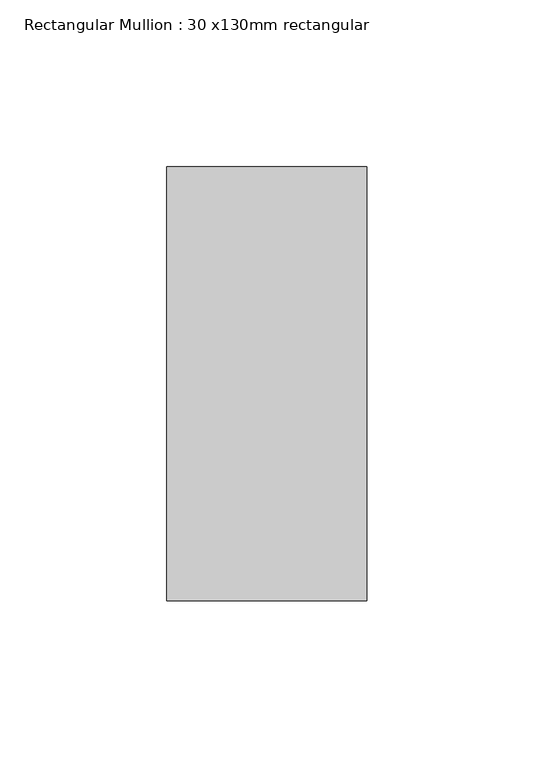
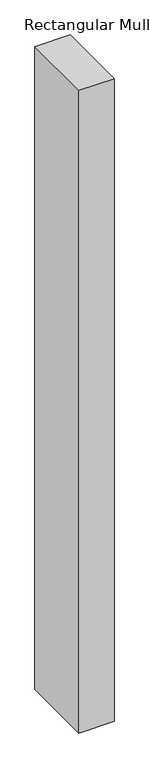
"""IFC4 building model written with IfcOpenShell, lengths in millimetres: member geometry, Rectangular Mullion : 30 x130mm rectangular."""

from ifc_helpers import new_model, si_unit, frame, origin, place, context, project, spatial, polyline, outline, extrude, source, transform, mapped, element, save


def rectangular_mullion_30_x130mm_rectangular_e298e42c(model_context):
    return source(origin(), model_context, "Body", "SweptSolid", [
        extrude(outline(polyline([(30.0, 65.0), (30.0, -65.0), (-30.0, -65.0), (-30.0, 65.0), (30.0, 65.0)])), frame((0.0, 0.0, -1160.0), z_axis=(0.0, 0.0, 1.0), x_axis=(1.0, 0.0, 0.0)), (0.0, 0.0, 1.0), 1160.0),
    ])


if __name__ == "__main__":
    model = new_model("IFC4")
    model_context = context("Model", 3, world=origin())
    ifc_project = project(units=[si_unit("LENGTHUNIT", "METRE", prefix="MILLI")], contexts=[model_context])
    site = spatial("IfcSite", under=ifc_project)
    building = spatial("IfcBuilding", under=site)
    placement = place(None, origin())
    rectangular_mullion_30_x130mm_rectangular_shape = rectangular_mullion_30_x130mm_rectangular_e298e42c(model_context)
    element("IfcMember", 1, ObjectType="Rectangular Mullion : 30 x130mm rectangular", at=placement, inside=building, context=model_context, shape_type="MappedRepresentation", body=[
        mapped(rectangular_mullion_30_x130mm_rectangular_shape, transform((0.0, 0.0, 0.0), x_axis=(1.0, 0.0, 0.0), y_axis=(0.0, 1.0, 0.0), z_axis=(0.0, 0.0, 1.0))),
    ])
    save(model, "model.ifc")
